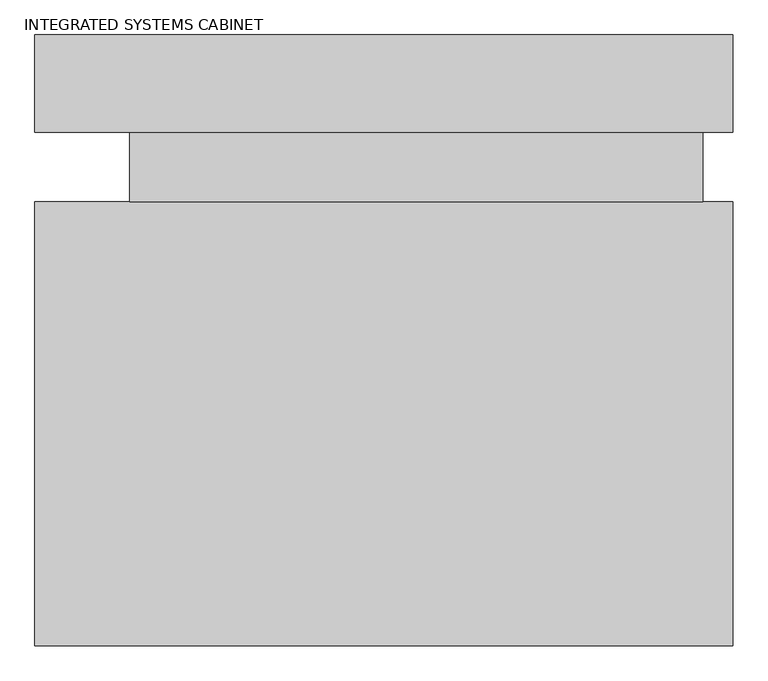
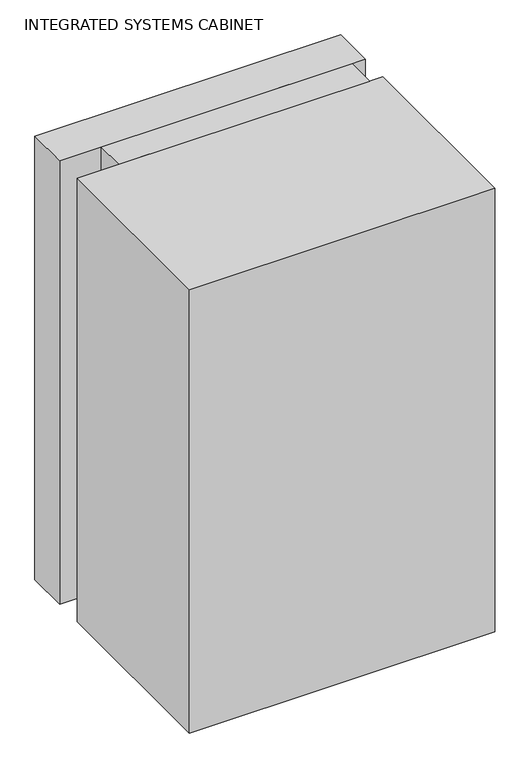
"""IFC4 building model written with IfcOpenShell, lengths in millimetres: proxy geometry, INTEGRATED SYSTEMS CABINET."""

from ifc_helpers import new_model, si_unit, origin, origin_with_axes, place, context, project, spatial, polyline, outline, extrude, source, transform, mapped, element, save


def integrated_systems_cabinet_212e1753(model_context):
    return source(origin(), model_context, "Body", "SweptSolid", [
        extrude(outline(polyline([(1705.780734, 304.8), (1705.780734, 127.0), (431.78583, 127.0), (431.78583, 304.8), (1705.780734, 304.8)])), origin_with_axes(), (0.0, 0.0, 1.0), 1955.00625),
        extrude(outline(polyline([(1651.0563539, 0.0), (604.4851392, 0.0), (604.4851392, 127.0), (1651.0563539, 127.0), (1651.0563539, 0.0)])), origin_with_axes(), (0.0, 0.0, 1.0), 1955.00625),
        extrude(outline(polyline([(431.78583, -809.9967482), (431.78583, 0.0), (1705.780734, 0.0), (1705.780734, -809.9967482), (431.78583, -809.9967482)])), origin_with_axes(), (0.0, 0.0, 1.0), 1955.00625),
    ])


if __name__ == "__main__":
    model = new_model("IFC4")
    model_context = context("Model", 3, world=origin())
    ifc_project = project(units=[si_unit("LENGTHUNIT", "METRE", prefix="MILLI")], contexts=[model_context])
    site = spatial("IfcSite", under=ifc_project)
    building = spatial("IfcBuilding", under=site)
    placement = place(None, origin())
    integrated_systems_cabinet_shape = integrated_systems_cabinet_212e1753(model_context)
    element("IfcBuildingElementProxy", 1, Name="INTEGRATED SYSTEMS CABINET", ObjectType="INTEGRATED SYSTEMS CABINET", at=placement, inside=building, context=model_context, shape_type="MappedRepresentation", body=[
        mapped(integrated_systems_cabinet_shape, transform((0.0, 0.0, 0.0), x_axis=(1.0, 0.0, 0.0), y_axis=(0.0, 1.0, 0.0), z_axis=(0.0, 0.0, 1.0))),
    ])
    save(model, "model.ifc")
